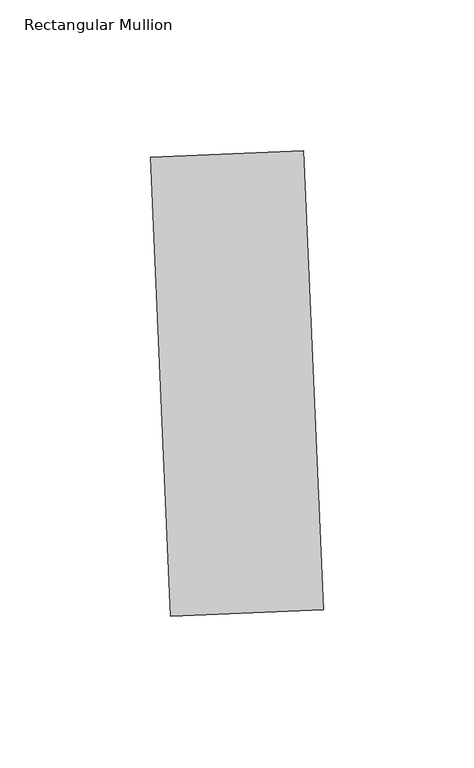
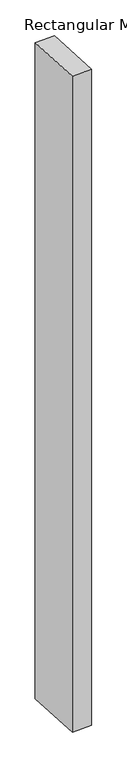
"""IFC4 building model written with IfcOpenShell, lengths in millimetres: member geometry, Rectangular Mullion."""

from ifc_helpers import new_model, si_unit, frame, origin, place, context, project, spatial, polyline, outline, extrude, source, transform, mapped, element, save


def rectangular_mullion_843cdf1e(model_context):
    return source(origin(), model_context, "Body", "SweptSolid", [
        extrude(outline(polyline([(30.7769955, -122.5992136), (-19.9746542, -124.8150785), (-26.6222488, 27.4398705), (24.1294008, 29.6557354), (30.7769955, -122.5992136)])), frame((0.0, 0.0, -1765.3), z_axis=(0.0, 0.0, 1.0), x_axis=(1.0, 0.0, 0.0)), (0.0, 0.0, 1.0), 1765.3),
    ])


if __name__ == "__main__":
    model = new_model("IFC4")
    model_context = context("Model", 3, world=origin())
    ifc_project = project(units=[si_unit("LENGTHUNIT", "METRE", prefix="MILLI")], contexts=[model_context])
    site = spatial("IfcSite", under=ifc_project)
    building = spatial("IfcBuilding", under=site)
    placement = place(None, origin())
    rectangular_mullion_shape = rectangular_mullion_843cdf1e(model_context)
    element("IfcMember", 1, ObjectType="Rectangular Mullion", at=placement, inside=building, context=model_context, shape_type="MappedRepresentation", body=[
        mapped(rectangular_mullion_shape, transform((0.0, 0.0, 0.0), x_axis=(1.0, 0.0, 0.0), y_axis=(0.0, 1.0, 0.0), z_axis=(0.0, 0.0, 1.0))),
    ])
    save(model, "model.ifc")
